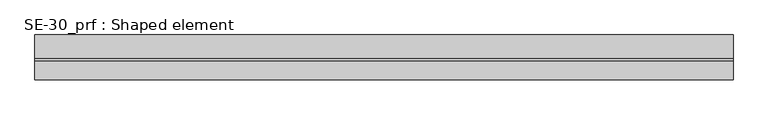
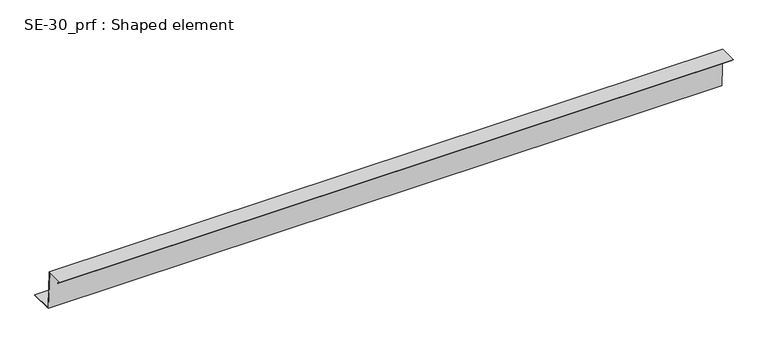
"""IFC4 building model written with IfcOpenShell, lengths in millimetres: proxy geometry, SE-30_prf : Shaped element."""

from ifc_helpers import new_model, si_unit, origin, place, context, project, spatial, faceted_brep, source, transform, mapped, element, save


def se_30_prf_shaped_element_98526176(model_context):
    return source(origin(), model_context, "Body", "Brep", [
        faceted_brep([(0.0, 0.0, -51.9635742), (0.0, 0.0, -46.1391758), (0.0, 0.257362, -51.0), (0.0, 50.0, -51.0), (0.0, 50.0, -51.9635742), (0.0, -0.6930211, -51.9635742), (0.0, -5.2444622, 34.0), (0.0, -41.8229552, 34.0), (0.0, -36.4589942, 28.636039), (0.0, -37.166101, 27.9289322), (0.0, -44.2371688, 35.0), (0.0, -4.2960077, 35.0), (1470.0, 0.0, -46.1391758), (1470.0, 0.0, -51.9635742), (1470.0, 50.0, -51.9635742), (1470.0, 50.0, -51.0), (1470.0, 0.257362, -51.0), (1470.0, -4.2960077, 35.0), (1470.0, -44.2371688, 35.0), (1470.0, -37.166101, 27.9289322), (1470.0, -36.4589942, 28.636039), (1470.0, -41.8229552, 34.0), (1470.0, -5.2444622, 34.0), (1470.0, -0.6930211, -51.9635742)], [[[0, 1, 2, 3, 4]], [[1, 0, 5, 6, 7, 8, 9, 10, 11]], [[12, 13, 14, 15, 16]], [[13, 12, 17, 18, 19, 20, 21, 22, 23]], [[10, 9, 19, 18]], [[9, 8, 20, 19]], [[8, 7, 21, 20]], [[7, 6, 22, 21]], [[0, 4, 14, 13, 23, 5]], [[4, 3, 15, 14]], [[3, 2, 16, 15]], [[2, 1, 11, 17, 12, 16]], [[11, 10, 18, 17]], [[6, 5, 23, 22]]]),
    ])


if __name__ == "__main__":
    model = new_model("IFC4")
    model_context = context("Model", 3, world=origin())
    ifc_project = project(units=[si_unit("LENGTHUNIT", "METRE", prefix="MILLI")], contexts=[model_context])
    site = spatial("IfcSite", under=ifc_project)
    building = spatial("IfcBuilding", under=site)
    placement = place(None, origin())
    se_30_prf_shaped_element_shape = se_30_prf_shaped_element_98526176(model_context)
    element("IfcBuildingElementProxy", 1, Name="SE-30_prf : Shaped element", ObjectType="SE-30_prf : Shaped element", at=placement, inside=building, context=model_context, shape_type="MappedRepresentation", body=[
        mapped(se_30_prf_shaped_element_shape, transform((0.0, 0.0, 0.0), x_axis=(1.0, 0.0, 0.0), y_axis=(0.0, 1.0, 0.0), z_axis=(0.0, 0.0, 1.0))),
    ])
    save(model, "model.ifc")
